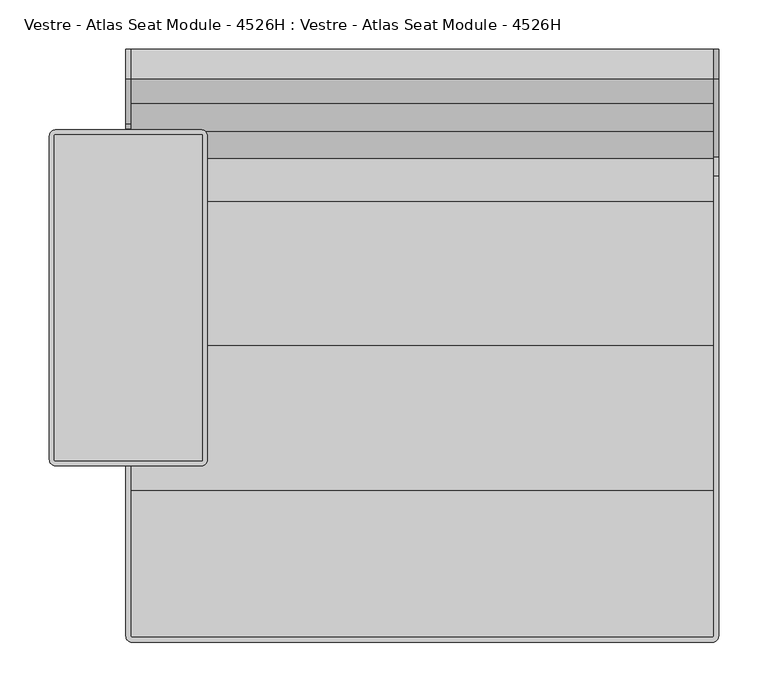
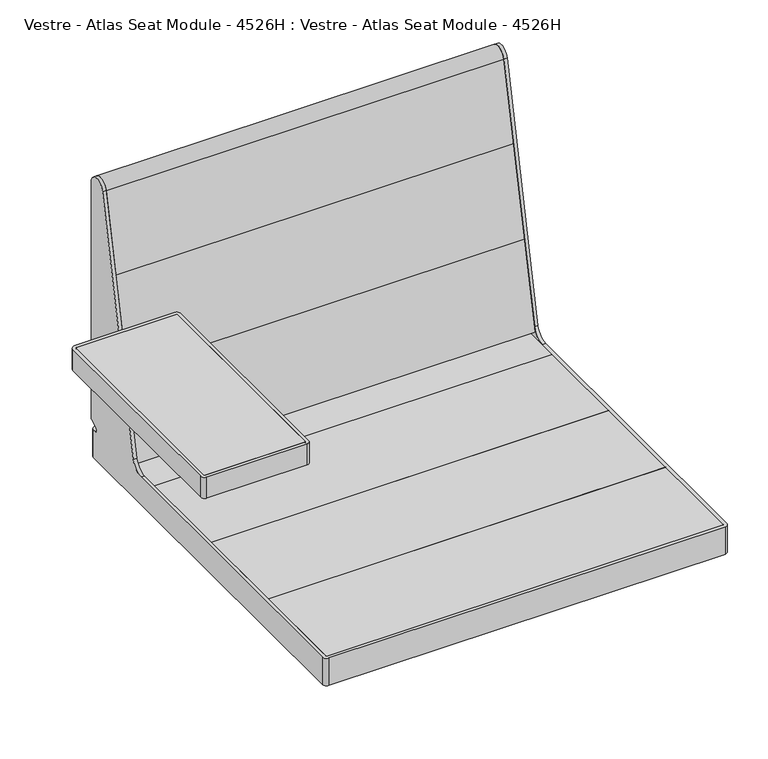
"""IFC4 building model written with IfcOpenShell, lengths in millimetres: furniture geometry, Vestre - Atlas Seat Module - 4526H : Vestre - Atlas Seat Module - 4526H."""

from ifc_helpers import new_model, si_unit, point, frame, frame_2d, origin, origin_with_axes, place, context, project, spatial, polyline, circle_curve, trimmed, segment, composite_curve, outline, extrude, source, transform, mapped, element, save
from ifc_brep_helpers import plane_surface, cylinder_surface, revolved_surface, advanced_brep


def vestre_atlas_seat_module_4526h_vestre_atlas_seat_module_35071f33(model_context):
    return source(origin(), model_context, "Body", "SolidModel", [
        advanced_brep(
        [(-295.0000168, 300.0000023, 83.4372244), (-295.0000168, 300.0000023, 452.8496404), (-295.0000168, 270.3277883, 455.9683158), (-295.0000168, 224.8071073, 241.8103493), (-295.0000168, 219.9163693, 237.8499078), (-295.0000168, 215.3613459, 237.8499078), (-295.0000168, 213.3966402, 236.2261697), (-295.0000168, 208.4547894, 234.620465), (-295.0000168, 205.4262365, 237.3474222), (-295.0000168, 204.1172295, 237.8499078), (-295.0000168, -34.1737135, 237.8499078), (-295.0000168, -35.039763, 237.3498938), (-295.0000168, -36.4058447, 238.7159523), (-295.0000168, -35.9057299, 239.5819968), (-295.0000168, -35.9057299, 240.8862809), (-295.0000168, -36.8693306, 241.8498816), (-295.0000168, -90.0348387, 241.8498816), (-295.0000168, -90.0348387, 237.8499078), (-295.0000168, 205.5011855, 175.0318013), (-295.0000168, 209.3523653, 169.1015048), (-295.0000168, 191.1979651, 83.6917671), (-295.0000168, 171.6350131, 67.850001), (-295.0000168, -294.035874, 67.850001), (-295.0000168, -294.035874, 24.8500093), (-295.0000168, 294.0091733, 24.8500093), (-295.0000168, 294.0091733, 67.850001), (-295.0000168, 289.8860908, 67.850001), (-295.0000168, 287.8917461, 75.2929964), (-295.0000168, 299.001022, 81.7069398), (-299.9997116, 300.0000023, 83.4372244), (-299.9997116, 299.001022, 81.7069398), (-299.9997116, 287.8917461, 75.2929964), (-299.9997116, 289.8860908, 67.850001), (-299.9997116, 294.0000778, 67.850001), (-299.9997116, 294.000075, 24.8500093), (-299.9997116, -294.0369399, 24.8500093), (-299.9997116, -294.0369399, 67.850001), (-299.9997116, 171.6350131, 67.850001), (-299.9997116, 191.1979651, 83.6917671), (-299.9997116, 209.3523653, 169.1015048), (-299.9997116, 205.5011855, 175.0318013), (-299.9997116, -90.0348387, 237.8499078), (-299.9997116, -90.0348387, 241.8498816), (-299.9997116, -36.8693306, 241.8498816), (-299.9997116, -35.9057299, 240.8862809), (-299.9997116, -35.9057299, 239.5819968), (-299.9997116, -36.4058447, 238.7159523), (-299.9997116, -35.0398179, 237.3499255), (-299.9997116, -34.1737135, 237.8499078), (-299.9997116, 204.1172295, 237.8499078), (-299.9997116, 205.4262365, 237.3474222), (-299.9997116, 208.4547894, 234.620465), (-299.9997116, 213.3966402, 236.2261697), (-299.9997116, 215.3613459, 237.8499078), (-299.9997116, 219.9163693, 237.8499078), (-299.9997116, 224.8071073, 241.8103493), (-299.9997116, 270.3277883, 455.9683158), (-299.9997116, 300.0000023, 452.8496404), (-294.009246, 294.9999441, 67.850001), (294.0105528, 294.9999441, 67.850001), (295.0000168, 294.0104801, 67.850001), (295.0000168, 289.8860908, 67.850001), (299.9997116, 289.8860908, 67.850001), (299.9997116, 294.000075, 67.850001), (293.9997116, 300.000075, 67.850001), (-293.9997116, 300.000075, 67.850001), (-294.0365765, -300.000075, 67.850001), (293.9997116, -300.000075, 67.850001), (299.9997116, -294.000075, 67.850001), (299.9997116, 171.6350131, 67.850001), (295.0000168, 171.6350131, 67.850001), (295.0000168, -294.0016577, 67.850001), (294.0015851, -295.0000895, 67.850001), (-294.0358013, -295.0000895, 67.850001), (-293.9997116, 300.000075, 24.8500093), (293.9997116, 300.000075, 24.8500093), (299.9997116, 294.000075, 24.8500093), (299.9997116, -294.000075, 24.8500093), (293.9997116, -300.000075, 24.8500093), (-294.0365765, -300.000075, 24.8500093), (-294.0358013, -295.0000895, 24.8500093), (294.0015851, -295.0000895, 24.8500093), (295.0000168, -294.0016577, 24.8500093), (295.0000168, 294.0104801, 24.8500093), (294.0105528, 294.9999441, 24.8500093), (-294.009246, 294.9999441, 24.8500093), (295.0000168, 191.1979651, 83.6917671), (295.0000168, 270.3277883, 455.9683158), (295.0000168, 300.0000023, 452.8496404), (295.0000168, 300.0000023, 83.4372244), (295.0000168, 299.001022, 81.7069398), (295.0000168, 287.8917461, 75.2929964), (299.9997116, 287.8917461, 75.2929964), (299.9997116, 299.001022, 81.7069398), (299.9997116, 300.0000023, 83.4372244), (299.9997116, 300.0000023, 452.8496404), (299.9997116, 270.3277883, 455.9683158), (299.9997116, 191.1979651, 83.6917671)],
        [
            (0, 1),
            (1, 2, circle_curve(frame((-295.0000168, 285.0000023, 452.8496404), z_axis=(1.0, 0.0, 0.0), x_axis=(0.0, -1.0, 0.0)), 15.0)),
            (2, 3),
            (3, 4, circle_curve(frame((-295.0000168, 219.9163693, 242.8499078), z_axis=(-1.0, 0.0, 0.0), x_axis=(0.0, -1.0, 0.0)), 5.0)),
            (4, 5),
            (5, 6, circle_curve(frame((-295.0000168, 215.3613459, 235.8494024), z_axis=(1.0, 0.0, 0.0), x_axis=(0.0, -1.0, 0.0)), 2.0005054)),
            (6, 7, circle_curve(frame((-295.0000168, 210.4385486, 236.9226609), z_axis=(-1.0, 0.0, 0.0), x_axis=(0.0, -1.0, 0.0)), 3.0389811)),
            (7, 8),
            (8, 9, circle_curve(frame((-295.0000168, 204.1172295, 235.8936417), z_axis=(1.0, 0.0, 0.0), x_axis=(0.0, -1.0, 0.0)), 1.9562661)),
            (9, 10),
            (10, 11, circle_curve(frame((-295.0000168, -34.1737135, 236.8498799), z_axis=(1.0, 0.0, 0.0), x_axis=(0.0, -1.0, 0.0)), 1.0000279)),
            (11, 12, circle_curve(frame((-295.0000168, -35.9096626, 237.8461076), z_axis=(-1.0, 0.0, 0.0), x_axis=(0.0, -1.0, 0.0)), 1.0014122)),
            (12, 13, circle_curve(frame((-295.0000168, -36.9056482, 239.5819968), z_axis=(1.0, 0.0, 0.0), x_axis=(0.0, -1.0, 0.0)), 0.9999183)),
            (13, 14),
            (14, 15, circle_curve(frame((-295.0000168, -36.8693306, 240.8862809), z_axis=(1.0, 0.0, 0.0), x_axis=(0.0, -1.0, 0.0)), 0.9636008)),
            (15, 16),
            (16, 17),
            (17, 18),
            (18, 19, circle_curve(frame((-295.0000168, 204.4616273, 170.1410632), z_axis=(-1.0, 0.0, 0.0), x_axis=(0.0, -1.0, 0.0)), 5.0)),
            (19, 20),
            (20, 21, circle_curve(frame((-295.0000168, 171.6350131, 87.850001), z_axis=(-1.0, 0.0, 0.0), x_axis=(0.0, -1.0, 0.0)), 20.0)),
            (21, 22),
            (22, 23),
            (23, 24),
            (24, 25),
            (25, 26),
            (26, 27, circle_curve(frame((-295.0000168, 289.8860908, 71.8386902), z_axis=(-1.0, 0.0, 0.0), x_axis=(0.0, -1.0, 0.0)), 3.9886892)),
            (27, 28),
            (28, 0, circle_curve(frame((-295.0000168, 298.0020417, 83.4372244), z_axis=(1.0, 0.0, 0.0), x_axis=(0.0, -1.0, 0.0)), 1.9979606)),
            (29, 30, circle_curve(frame((-299.9997116, 298.0020417, 83.4372244), z_axis=(-1.0, 0.0, 0.0), x_axis=(0.0, -1.0, 0.0)), 1.9979606)),
            (30, 31),
            (31, 32, circle_curve(frame((-299.9997116, 289.8860908, 71.8386902), z_axis=(1.0, 0.0, 0.0), x_axis=(0.0, -1.0, 0.0)), 3.9886892)),
            (32, 33),
            (33, 34),
            (34, 35),
            (35, 36),
            (36, 37),
            (37, 38, circle_curve(frame((-299.9997116, 171.6350131, 87.850001), z_axis=(1.0, 0.0, 0.0), x_axis=(0.0, -1.0, 0.0)), 20.0)),
            (38, 39),
            (39, 40, circle_curve(frame((-299.9997116, 204.4616273, 170.1410632), z_axis=(1.0, 0.0, 0.0), x_axis=(0.0, -1.0, 0.0)), 5.0)),
            (40, 41),
            (41, 42),
            (42, 43),
            (43, 44, circle_curve(frame((-299.9997116, -36.8693306, 240.8862809), z_axis=(-1.0, 0.0, 0.0), x_axis=(0.0, -1.0, 0.0)), 0.9636008)),
            (44, 45),
            (45, 46, circle_curve(frame((-299.9997116, -36.9056482, 239.5819968), z_axis=(-1.0, 0.0, 0.0), x_axis=(0.0, -1.0, 0.0)), 0.9999183)),
            (46, 47, circle_curve(frame((-299.9997116, -35.9096626, 237.8461076), z_axis=(1.0, 0.0, 0.0), x_axis=(0.0, -1.0, 0.0)), 1.0014122)),
            (47, 48, circle_curve(frame((-299.9997116, -34.1737135, 236.8498799), z_axis=(-1.0, 0.0, 0.0), x_axis=(0.0, -1.0, 0.0)), 1.0000279)),
            (48, 49),
            (49, 50, circle_curve(frame((-299.9997116, 204.1172295, 235.8936417), z_axis=(-1.0, 0.0, 0.0), x_axis=(0.0, -1.0, 0.0)), 1.9562661)),
            (50, 51),
            (51, 52, circle_curve(frame((-299.9997116, 210.4385486, 236.9226609), z_axis=(1.0, 0.0, 0.0), x_axis=(0.0, -1.0, 0.0)), 3.0389811)),
            (52, 53, circle_curve(frame((-299.9997116, 215.3613459, 235.8494024), z_axis=(-1.0, 0.0, 0.0), x_axis=(0.0, -1.0, 0.0)), 2.0005054)),
            (53, 54),
            (54, 55, circle_curve(frame((-299.9997116, 219.9163693, 242.8499078), z_axis=(1.0, 0.0, 0.0), x_axis=(0.0, -1.0, 0.0)), 5.0)),
            (55, 56),
            (56, 57, circle_curve(frame((-299.9997116, 285.0000023, 452.8496404), z_axis=(-1.0, 0.0, 0.0), x_axis=(0.0, -1.0, 0.0)), 15.0)),
            (57, 29),
            (0, 29),
            (57, 1),
            (56, 2),
            (55, 3),
            (20, 38),
            (37, 21),
            (25, 58, circle_curve(frame((-294.009246, 294.0091733, 67.850001), z_axis=(0.0, 0.0, -1.0), x_axis=(1.0, 0.0, 0.0)), 0.9907708)),
            (58, 59),
            (59, 60, circle_curve(frame((294.0105528, 294.0104801, 67.850001), z_axis=(0.0, 0.0, -1.0), x_axis=(1.0, 0.0, 0.0)), 0.989464)),
            (60, 61),
            (61, 62),
            (62, 63),
            (63, 64, circle_curve(frame((293.9997116, 294.000075, 67.850001), z_axis=(0.0, 0.0, 1.0), x_axis=(1.0, 0.0, 0.0)), 6.0)),
            (64, 65),
            (65, 33, circle_curve(frame((-293.9997116, 294.000075, 67.850001), z_axis=(0.0, 0.0, 1.0), x_axis=(1.0, 0.0, 0.0)), 6.0)),
            (32, 26),
            (36, 66, circle_curve(frame((-294.0365765, -294.0369399, 67.850001), z_axis=(0.0, 0.0, 1.0), x_axis=(1.0, 0.0, 0.0)), 5.9631351)),
            (66, 67),
            (67, 68, circle_curve(frame((293.9997116, -294.000075, 67.850001), z_axis=(0.0, 0.0, 1.0), x_axis=(1.0, 0.0, 0.0)), 6.0)),
            (68, 69),
            (69, 70),
            (70, 71),
            (71, 72, circle_curve(frame((294.0015851, -294.0016577, 67.850001), z_axis=(0.0, 0.0, -1.0), x_axis=(1.0, 0.0, 0.0)), 0.9984317)),
            (72, 73),
            (73, 22, circle_curve(frame((-294.0358013, -294.035874, 67.850001), z_axis=(0.0, 0.0, -1.0), x_axis=(1.0, 0.0, 0.0)), 0.9642155)),
            (31, 27),
            (30, 28),
            (54, 4),
            (53, 5),
            (52, 6),
            (51, 7),
            (50, 8),
            (49, 9),
            (48, 10),
            (47, 11),
            (46, 12),
            (45, 13),
            (44, 14),
            (43, 15),
            (42, 16),
            (41, 17),
            (40, 18),
            (39, 19),
            (34, 74, circle_curve(frame((-293.9997116, 294.000075, 24.8500093), z_axis=(0.0, 0.0, -1.0), x_axis=(1.0, 0.0, 0.0)), 6.0)),
            (74, 75),
            (75, 76, circle_curve(frame((293.9997116, 294.000075, 24.8500093), z_axis=(0.0, 0.0, -1.0), x_axis=(1.0, 0.0, 0.0)), 6.0)),
            (76, 77),
            (77, 78, circle_curve(frame((293.9997116, -294.000075, 24.8500093), z_axis=(0.0, 0.0, -1.0), x_axis=(1.0, 0.0, 0.0)), 6.0)),
            (78, 79),
            (79, 35, circle_curve(frame((-294.0365765, -294.0369399, 24.8500093), z_axis=(0.0, 0.0, -1.0), x_axis=(1.0, 0.0, 0.0)), 5.9631351)),
            (23, 80, circle_curve(frame((-294.0358013, -294.035874, 24.8500093), z_axis=(0.0, 0.0, 1.0), x_axis=(1.0, 0.0, 0.0)), 0.9642155)),
            (80, 81),
            (81, 82, circle_curve(frame((294.0015851, -294.0016577, 24.8500093), z_axis=(0.0, 0.0, 1.0), x_axis=(1.0, 0.0, 0.0)), 0.9984317)),
            (82, 83),
            (83, 84, circle_curve(frame((294.0105528, 294.0104801, 24.8500093), z_axis=(0.0, 0.0, 1.0), x_axis=(1.0, 0.0, 0.0)), 0.989464)),
            (84, 85),
            (85, 24, circle_curve(frame((-294.009246, 294.0091733, 24.8500093), z_axis=(0.0, 0.0, 1.0), x_axis=(1.0, 0.0, 0.0)), 0.9907708)),
            (85, 58),
            (84, 59),
            (83, 60),
            (82, 71),
            (70, 86, circle_curve(frame((295.0000168, 171.6350131, 87.850001), z_axis=(1.0, 0.0, 0.0), x_axis=(0.0, -1.0, 0.0)), 20.0)),
            (86, 87),
            (87, 88, circle_curve(frame((295.0000168, 285.0000023, 452.8496404), z_axis=(-1.0, 0.0, 0.0), x_axis=(0.0, -1.0, 0.0)), 15.0)),
            (88, 89),
            (89, 90, circle_curve(frame((295.0000168, 298.0020417, 83.4372244), z_axis=(-1.0, 0.0, 0.0), x_axis=(0.0, -1.0, 0.0)), 1.9979606)),
            (90, 91),
            (91, 61, circle_curve(frame((295.0000168, 289.8860908, 71.8386902), z_axis=(1.0, 0.0, 0.0), x_axis=(0.0, -1.0, 0.0)), 3.9886892)),
            (81, 72),
            (80, 73),
            (79, 66),
            (78, 67),
            (77, 68),
            (76, 63),
            (62, 92, circle_curve(frame((299.9997116, 289.8860908, 71.8386902), z_axis=(-1.0, 0.0, 0.0), x_axis=(0.0, -1.0, 0.0)), 3.9886892)),
            (92, 93),
            (93, 94, circle_curve(frame((299.9997116, 298.0020417, 83.4372244), z_axis=(1.0, 0.0, 0.0), x_axis=(0.0, -1.0, 0.0)), 1.9979606)),
            (94, 95),
            (95, 96, circle_curve(frame((299.9997116, 285.0000023, 452.8496404), z_axis=(1.0, 0.0, 0.0), x_axis=(0.0, -1.0, 0.0)), 15.0)),
            (96, 97),
            (97, 69, circle_curve(frame((299.9997116, 171.6350131, 87.850001), z_axis=(-1.0, 0.0, 0.0), x_axis=(0.0, -1.0, 0.0)), 20.0)),
            (75, 64),
            (74, 65),
            (88, 95),
            (94, 89),
            (87, 96),
            (86, 97),
            (91, 92),
            (90, 93),
        ],
        [
            plane_surface(frame((-295.0000168, 300.0000023, 452.8497931), z_axis=(1.0, 0.0, 0.0), x_axis=(0.0, 0.0, 1.0))),
            plane_surface(frame((-299.9997116, 300.0000023, 452.8497931), z_axis=(-1.0, 0.0, 0.0), x_axis=(0.0, 0.0, -1.0))),
            plane_surface(frame((-295.0000168, 300.0000023, 83.4372244), z_axis=(0.0, 1.0, 0.0), x_axis=(-1.0, 0.0, 0.0))),
            cylinder_surface(frame((-299.9997116, 285.0000023, 452.8496404), z_axis=(1.0, 0.0, 0.0), x_axis=(0.0, -1.0, 0.0)), 15.0),
            plane_surface(frame((-295.0000168, 270.3277883, 455.9683158), z_axis=(0.0, -0.9781476007338052, 0.20791169081776106), x_axis=(-1.0, 0.0, 0.0))),
            revolved_surface(polyline([(-299.9997116, 151.6350131, 87.850001), (-295.0000168, 151.6350131, 87.850001)]), (-299.9997116, 171.6350131, 87.850001), (-1.0, 0.0, 0.0)),
            plane_surface(frame((-295.0000168, 171.6350131, 67.850001), z_axis=(0.0, 0.0, 1.0), x_axis=(-1.0, 0.0, 0.0))),
            revolved_surface(polyline([(-299.9997116, 285.89740159999997, 71.8386902), (-295.0000168, 285.89740159999997, 71.8386902)]), (-299.9997116, 289.8860908, 71.8386902), (-1.0, 0.0, 0.0)),
            plane_surface(frame((-295.0000168, 287.8917461, 75.2929964), z_axis=(0.0, 0.49999999999999944, -0.866025403784439), x_axis=(-1.0, 0.0, 0.0))),
            cylinder_surface(frame((-299.9997116, 298.0020417, 83.4372244), z_axis=(1.0, 0.0, 0.0), x_axis=(0.0, -1.0, 0.0)), 1.9979606),
            revolved_surface(polyline([(-299.9997116, 214.9163693, 242.8499078), (-295.0000168, 214.9163693, 242.8499078)]), (-299.9997116, 219.9163693, 242.8499078), (-1.0, 0.0, 0.0)),
            plane_surface(frame((-295.0000168, 219.9163693, 237.8499078), z_axis=(0.0, 0.0, 1.0), x_axis=(-1.0, 0.0, 0.0))),
            cylinder_surface(frame((-299.9997116, 215.3613459, 235.8494024), z_axis=(1.0, 0.0, 0.0), x_axis=(0.0, -1.0, 0.0)), 2.0005054),
            revolved_surface(polyline([(-299.9997116, 207.3995675, 236.9226609), (-295.0000168, 207.3995675, 236.9226609)]), (-299.9997116, 210.4385486, 236.9226609), (-1.0, 0.0, 0.0)),
            plane_surface(frame((-295.0000168, 208.4547894, 234.620465), z_axis=(0.0, 0.6691354565947192, 0.7431404582767492), x_axis=(-1.0, 0.0, 0.0))),
            cylinder_surface(frame((-299.9997116, 204.1172295, 235.8936417), z_axis=(1.0, 0.0, 0.0), x_axis=(0.0, -1.0, 0.0)), 1.9562661),
            plane_surface(frame((-295.0000168, 204.1172295, 237.8499078), z_axis=(0.0, 0.0, 1.0), x_axis=(-1.0, 0.0, 0.0))),
            cylinder_surface(frame((-299.9997116, -34.1737135, 236.8498799), z_axis=(1.0, 0.0, 0.0), x_axis=(0.0, -1.0, 0.0)), 1.0000279),
            revolved_surface(polyline([(-299.9997116, -36.911074799999994, 237.8461076), (-295.0000168, -36.911074799999994, 237.8461076)]), (-299.9997116, -35.9096626, 237.8461076), (-1.0, 0.0, 0.0)),
            cylinder_surface(frame((-299.9997116, -36.9056482, 239.5819968), z_axis=(1.0, 0.0, 0.0), x_axis=(0.0, -1.0, 0.0)), 0.9999183),
            plane_surface(frame((-295.0000168, -35.9057299, 239.5819968), z_axis=(0.0, 1.0, 0.0), x_axis=(-1.0, 0.0, 0.0))),
            cylinder_surface(frame((-299.9997116, -36.8693306, 240.8862809), z_axis=(1.0, 0.0, 0.0), x_axis=(0.0, -1.0, 0.0)), 0.9636008),
            plane_surface(frame((-295.0000168, -36.8693306, 241.8498816), z_axis=(0.0, 0.0, 1.0), x_axis=(-1.0, 0.0, 0.0))),
            plane_surface(frame((-295.0000168, -90.0348387, 241.8498816), z_axis=(0.0, -1.0, 0.0), x_axis=(-1.0, 0.0, 0.0))),
            plane_surface(frame((-295.0000168, -90.0348387, 237.8499078), z_axis=(0.0, -0.2079116445070992, -0.9781476105774392), x_axis=(-1.0, 0.0, 0.0))),
            revolved_surface(polyline([(-299.9997116, 199.4616273, 170.1410632), (-295.0000168, 199.4616273, 170.1410632)]), (-299.9997116, 204.4616273, 170.1410632), (-1.0, 0.0, 0.0)),
            plane_surface(frame((-295.0000168, 209.3523653, 169.1015048), z_axis=(0.0, -0.9781476007338046, 0.20791169081776423), x_axis=(-1.0, 0.0, 0.0))),
            plane_surface(frame((-295.0000168, 294.0000051, 24.8500093), z_axis=(0.0, 0.0, -1.0), x_axis=(0.0, -1.0, 0.0))),
            revolved_surface(polyline([(-293.0184752, 294.0091733, 24.8500093), (-293.0184752, 294.0091733, 67.850001)]), (-294.009246, 294.0091733, 24.8500093), (0.0, 0.0, -1.0)),
            plane_surface(frame((-294.009246, 294.9999441, 67.850001), z_axis=(0.0, -1.0, 0.0), x_axis=(0.0, 0.0, -1.0))),
            revolved_surface(polyline([(295.0000168, 294.0104801, 24.8500093), (295.0000168, 294.0104801, 67.850001)]), (294.0105528, 294.0104801, 24.8500093), (0.0, 0.0, -1.0)),
            plane_surface(frame((295.0000168, 294.0104801, 67.850001), z_axis=(-1.0, 0.0, 0.0), x_axis=(0.0, 0.0, -1.0))),
            revolved_surface(polyline([(295.0000168, -294.0016577, 24.8500093), (295.0000168, -294.0016577, 67.850001)]), (294.0015851, -294.0016577, 24.8500093), (0.0, 0.0, -1.0)),
            plane_surface(frame((294.0015851, -295.0000895, 67.850001), z_axis=(0.0, 1.0, 0.0), x_axis=(0.0, 0.0, -1.0))),
            revolved_surface(polyline([(-293.0715858, -294.035874, 24.8500093), (-293.0715858, -294.035874, 67.850001)]), (-294.0358013, -294.035874, 24.8500093), (0.0, 0.0, -1.0)),
            cylinder_surface(frame((-294.0365765, -294.0369399, 24.8500093), z_axis=(0.0, 0.0, 1.0), x_axis=(1.0, 0.0, 0.0)), 5.9631351),
            plane_surface(frame((-294.0365765, -300.000075, 67.850001), z_axis=(0.0, -1.0, 0.0), x_axis=(0.0, 0.0, -1.0))),
            cylinder_surface(frame((293.9997116, -294.000075, 24.8500093), z_axis=(0.0, 0.0, 1.0), x_axis=(1.0, 0.0, 0.0)), 6.0),
            plane_surface(frame((299.9997116, -294.000075, 67.850001), z_axis=(1.0, 0.0, 0.0), x_axis=(0.0, 0.0, -1.0))),
            cylinder_surface(frame((293.9997116, 294.000075, 24.8500093), z_axis=(0.0, 0.0, 1.0), x_axis=(1.0, 0.0, 0.0)), 6.0),
            plane_surface(frame((293.9997116, 300.000075, 67.850001), z_axis=(0.0, 1.0, 0.0), x_axis=(0.0, 0.0, -1.0))),
            cylinder_surface(frame((-293.9997116, 294.000075, 24.8500093), z_axis=(0.0, 0.0, 1.0), x_axis=(1.0, 0.0, 0.0)), 6.0),
            plane_surface(frame((295.0000168, 300.0000023, 452.8496404), z_axis=(0.0, 1.0, 0.0), x_axis=(1.0, 0.0, 0.0))),
            cylinder_surface(frame((299.9997116, 285.0000023, 452.8496404), z_axis=(-1.0, 0.0, 0.0), x_axis=(0.0, -1.0, 0.0)), 15.0),
            plane_surface(frame((295.0000168, 191.1979651, 83.6917671), z_axis=(0.0, -0.9781476007338054, 0.20791169081776098), x_axis=(1.0, 0.0, 0.0))),
            revolved_surface(polyline([(299.9997116, 151.6350131, 87.850001), (295.0000168, 151.6350131, 87.850001)]), (299.9997116, 171.6350131, 87.850001), (1.0, 0.0, 0.0)),
            revolved_surface(polyline([(299.9997116, 285.89740159999997, 71.8386902), (295.0000168, 285.89740159999997, 71.8386902)]), (299.9997116, 289.8860908, 71.8386902), (1.0, 0.0, 0.0)),
            plane_surface(frame((295.0000168, 299.001022, 81.7069398), z_axis=(0.0, 0.49999999999999944, -0.866025403784439), x_axis=(1.0, 0.0, 0.0))),
            cylinder_surface(frame((299.9997116, 298.0020417, 83.4372244), z_axis=(-1.0, 0.0, 0.0), x_axis=(0.0, -1.0, 0.0)), 1.9979606),
        ],
        [
            (0, [[1, 2, 3, 4, 5, 6, 7, 8, 9, 10, 11, 12, 13, 14, 15, 16, 17, 18, 19, 20, 21, 22, 23, 24, 25, 26, 27, 28, 29]]),
            (1, [[30, 31, 32, 33, 34, 35, 36, 37, 38, 39, 40, 41, 42, 43, 44, 45, 46, 47, 48, 49, 50, 51, 52, 53, 54, 55, 56, 57, 58]]),
            (2, [[-1, 59, -58, 60]]),
            (3, [[-2, -60, -57, 61]]),
            (4, [[-3, -61, -56, 62]]),
            (5, [[-21, 63, -38, 64]]),
            (6, [[-26, 65, 66, 67, 68, 69, 70, 71, 72, 73, -33, 74]]),
            (6, [[-64, -37, 75, 76, 77, 78, 79, 80, 81, 82, 83, -22]]),
            (7, [[-27, -74, -32, 84]]),
            (8, [[-28, -84, -31, 85]]),
            (9, [[-29, -85, -30, -59]]),
            (10, [[-4, -62, -55, 86]]),
            (11, [[-5, -86, -54, 87]]),
            (12, [[-6, -87, -53, 88]]),
            (13, [[-7, -88, -52, 89]]),
            (14, [[-8, -89, -51, 90]]),
            (15, [[-9, -90, -50, 91]]),
            (16, [[-10, -91, -49, 92]]),
            (17, [[-11, -92, -48, 93]]),
            (18, [[-12, -93, -47, 94]]),
            (19, [[-13, -94, -46, 95]]),
            (20, [[-14, -95, -45, 96]]),
            (21, [[-15, -96, -44, 97]]),
            (22, [[-16, -97, -43, 98]]),
            (23, [[-17, -98, -42, 99]]),
            (24, [[-18, -99, -41, 100]]),
            (25, [[-19, -100, -40, 101]]),
            (26, [[-20, -101, -39, -63]]),
            (27, [[-35, 102, 103, 104, 105, 106, 107, 108], [109, 110, 111, 112, 113, 114, 115, -24]]),
            (28, [[-65, -25, -115, 116]]),
            (29, [[-66, -116, -114, 117]]),
            (30, [[118, -67, -117, -113]]),
            (31, [[-112, 119, -80, 120, 121, 122, 123, 124, 125, 126, -68, -118]]),
            (32, [[-81, -119, -111, 127]]),
            (33, [[-82, -127, -110, 128]]),
            (34, [[-83, -128, -109, -23]]),
            (35, [[-75, -36, -108, 129]]),
            (36, [[-76, -129, -107, 130]]),
            (37, [[-77, -130, -106, 131]]),
            (38, [[-105, 132, -70, 133, 134, 135, 136, 137, 138, 139, -78, -131]]),
            (39, [[-71, -132, -104, 140]]),
            (40, [[-72, -140, -103, 141]]),
            (41, [[-73, -141, -102, -34]]),
            (42, [[-123, 142, -136, 143]]),
            (43, [[-122, 144, -137, -142]]),
            (44, [[-121, 145, -138, -144]]),
            (45, [[-120, -79, -139, -145]]),
            (46, [[-126, 146, -133, -69]]),
            (47, [[-125, 147, -134, -146]]),
            (48, [[-124, -143, -135, -147]]),
        ],
    ),
        extrude(outline(composite_curve([segment(polyline([(245.3272667, 338.3501092), (270.3277883, 455.9683158)]), True, "CONTINUOUS"), segment(trimmed(circle_curve(frame_2d((285.0000023, 452.8496404)), 15.0), [point((270.3277883, 455.9683158))], [point((300.0000023, 452.8496404))], False, "CARTESIAN"), True, "CONTINUOUS"), segment(polyline([(300.0000023, 452.8496404), (300.0000023, 338.3501092), (245.3272667, 338.3501092)]), True, "CONTINUOUS")], self_intersect=False)), frame((-295.0000168, 0.0, 0.0), z_axis=(1.0, 0.0, 0.0), x_axis=(0.0, 1.0, 0.0)), (0.0, 0.0, 1.0), 590.0000336),
        extrude(outline(polyline([(217.1635184, 205.8500911), (245.3272667, 338.3501092), (300.0000023, 338.3501092), (300.0000023, 205.8500911), (217.1635184, 205.8500911)])), frame((-295.0000168, 0.0, 0.0), z_axis=(1.0, 0.0, 0.0), x_axis=(0.0, 1.0, 0.0)), (0.0, 0.0, 1.0), 590.0000336),
        extrude(outline(polyline([(295.0000168, -146.0000273), (-295.0000168, -146.0000273), (-295.0000168, 0.0), (295.0000168, 0.0), (295.0000168, -146.0000273)])), frame((0.0, 0.0, 39.8500022), z_axis=(0.0, 0.0, 1.0), x_axis=(1.0, 0.0, 0.0)), (0.0, 0.0, 1.0), 27.9999988),
        extrude(outline(polyline([(295.0000168, 146.0000273), (295.0000168, 0.0), (-295.0000168, 0.0), (-295.0000168, 146.0000273), (295.0000168, 146.0000273)])), frame((0.0, 0.0, 39.8500022), z_axis=(0.0, 0.0, 1.0), x_axis=(1.0, 0.0, 0.0)), (0.0, 0.0, 1.0), 27.9999988),
        extrude(outline(composite_curve([segment(polyline([(-294.009246, 294.9999441), (294.0105528, 294.9999441)]), True, "CONTINUOUS"), segment(trimmed(circle_curve(frame_2d((294.0105528, 294.0104801)), 0.989464), [point((294.0105528, 294.9999441))], [point((295.0000168, 294.0104801))], False, "CARTESIAN"), True, "CONTINUOUS"), segment(polyline([(295.0000168, 294.0104801), (295.0000168, 146.0000273), (-295.0000168, 146.0000273), (-295.0000168, 294.0091733)]), True, "CONTINUOUS"), segment(trimmed(circle_curve(frame_2d((-294.009246, 294.0091733)), 0.9907708), [point((-295.0000168, 294.0091733))], [point((-294.009246, 294.9999441))], False, "CARTESIAN"), True, "CONTINUOUS")], self_intersect=False)), frame((0.0, 0.0, 39.8500022), z_axis=(0.0, 0.0, 1.0), x_axis=(1.0, 0.0, 0.0)), (0.0, 0.0, 1.0), 27.9999988),
        extrude(outline(composite_curve([segment(trimmed(circle_curve(frame_2d((-294.0358013, -294.035874)), 0.9642155), [point((-294.0358013, -295.0000895))], [point((-295.0000168, -294.035874))], False, "CARTESIAN"), True, "CONTINUOUS"), segment(polyline([(-295.0000168, -294.035874), (-295.0000168, -146.0000273), (295.0000168, -146.0000273), (295.0000168, -294.0016577)]), True, "CONTINUOUS"), segment(trimmed(circle_curve(frame_2d((294.0015851, -294.0016577)), 0.9984317), [point((295.0000168, -294.0016577))], [point((294.0015851, -295.0000895))], False, "CARTESIAN"), True, "CONTINUOUS"), segment(polyline([(294.0015851, -295.0000895), (-294.0358013, -295.0000895)]), True, "CONTINUOUS")], self_intersect=False)), frame((0.0, 0.0, 39.8500022), z_axis=(0.0, 0.0, 1.0), x_axis=(1.0, 0.0, 0.0)), (0.0, 0.0, 1.0), 27.9999988),
        extrude(outline(polyline([(34.9996078, 34.9999712), (34.9996078, -34.9999712), (-34.9996078, -34.9999712), (-34.9996078, 34.9999712), (34.9996078, 34.9999712)])), origin_with_axes(), (0.0, 0.0, 1.0), 39.8500022),
        extrude(outline(polyline([(217.1636487, 205.8500911), (299.9998569, 205.8500911), (299.9998569, 76.3499908), (189.6375526, 76.3499908), (217.1636487, 205.8500911)])), frame((-295.0000168, 0.0, 0.0), z_axis=(1.0, 0.0, 0.0), x_axis=(0.0, 1.0, 0.0)), (0.0, 0.0, 1.0), 590.0000336),
        extrude(outline(composite_curve([segment(trimmed(circle_curve(frame_2d((-371.5408204, 212.6402724)), 0.9594077), [point((-372.5002281, 212.6402724))], [point((-371.5408204, 213.5996801))], False, "CARTESIAN"), True, "CONTINUOUS"), segment(polyline([(-371.5408204, 213.5996801), (-223.5419292, 213.5996801)]), True, "CONTINUOUS"), segment(trimmed(circle_curve(frame_2d((-223.5419292, 212.5578326)), 1.0418475), [point((-223.5419292, 213.5996801))], [point((-222.5000816, 212.5578326))], False, "CARTESIAN"), True, "CONTINUOUS"), segment(polyline([(-222.5000816, 212.5578326), (-222.5000816, -115.4291569)]), True, "CONTINUOUS"), segment(trimmed(circle_curve(frame_2d((-223.4711599, -115.4291569)), 0.9710783), [point((-222.5000816, -115.4291569))], [point((-223.4711599, -116.4002352))], False, "CARTESIAN"), True, "CONTINUOUS"), segment(polyline([(-223.4711599, -116.4002352), (-371.469235, -116.4002352)]), True, "CONTINUOUS"), segment(trimmed(circle_curve(frame_2d((-371.469235, -115.3692421)), 1.0309931), [point((-371.469235, -116.4002352))], [point((-372.5002281, -115.3692421))], False, "CARTESIAN"), True, "CONTINUOUS"), segment(polyline([(-372.5002281, -115.3692421), (-372.5002281, 212.6402724)]), True, "CONTINUOUS")], self_intersect=False)), frame((0.0, 0.0, 242.849966), z_axis=(0.0, 0.0, 1.0), x_axis=(1.0, 0.0, 0.0)), (0.0, 0.0, 1.0), 27.9996717),
        extrude(outline(composite_curve([segment(polyline([(-223.5003868, -121.4002207), (-371.4781127, -121.4002207)]), True, "CONTINUOUS"), segment(trimmed(circle_curve(frame_2d((-371.4781127, -115.3784105)), 6.0218102), [point((-371.4781127, -121.4002207))], [point((-377.4999229, -115.3784105))], False, "CARTESIAN"), True, "CONTINUOUS"), segment(polyline([(-377.4999229, -115.3784105), (-377.4999229, 212.485918)]), True, "CONTINUOUS"), segment(trimmed(circle_curve(frame_2d((-371.4954709, 212.485918)), 6.004452), [point((-377.4999229, 212.485918))], [point((-371.4954709, 218.49037))], False, "CARTESIAN"), True, "CONTINUOUS"), segment(polyline([(-371.4954709, 218.49037), (-223.47517, 218.49037)]), True, "CONTINUOUS"), segment(trimmed(circle_curve(frame_2d((-223.47517, 212.5155868)), 5.9747832), [point((-223.47517, 218.49037))], [point((-217.5003868, 212.5155868))], False, "CARTESIAN"), True, "CONTINUOUS"), segment(polyline([(-217.5003868, 212.5155868), (-217.5003868, -115.4002207)]), True, "CONTINUOUS"), segment(trimmed(circle_curve(frame_2d((-223.5003868, -115.4002207)), 6.0), [point((-217.5003868, -115.4002207))], [point((-223.5003868, -121.4002207))], False, "CARTESIAN"), True, "CONTINUOUS")], self_intersect=False), holes=[composite_curve([segment(polyline([(-372.5002281, 212.6402724), (-372.5002281, -115.3692421)]), True, "CONTINUOUS"), segment(trimmed(circle_curve(frame_2d((-371.469235, -115.3692421)), 1.0309931), [point((-372.5002281, -115.3692421))], [point((-371.469235, -116.4002352))], True, "CARTESIAN"), True, "CONTINUOUS"), segment(polyline([(-371.469235, -116.4002352), (-223.4711599, -116.4002352)]), True, "CONTINUOUS"), segment(trimmed(circle_curve(frame_2d((-223.4711599, -115.4291569)), 0.9710783), [point((-223.4711599, -116.4002352))], [point((-222.5000816, -115.4291569))], True, "CARTESIAN"), True, "CONTINUOUS"), segment(polyline([(-222.5000816, -115.4291569), (-222.5000816, 212.5578326)]), True, "CONTINUOUS"), segment(trimmed(circle_curve(frame_2d((-223.5419292, 212.5578326)), 1.0418475), [point((-222.5000816, 212.5578326))], [point((-223.5419292, 213.5996801))], True, "CARTESIAN"), True, "CONTINUOUS"), segment(polyline([(-223.5419292, 213.5996801), (-371.5408204, 213.5996801)]), True, "CONTINUOUS"), segment(trimmed(circle_curve(frame_2d((-371.5408204, 212.6402724)), 0.9594077), [point((-371.5408204, 213.5996801))], [point((-372.5002281, 212.6402724))], True, "CARTESIAN"), True, "CONTINUOUS")], self_intersect=False)]), frame((0.0, 0.0, 237.8499078), z_axis=(0.0, 0.0, 1.0), x_axis=(1.0, 0.0, 0.0)), (0.0, 0.0, 1.0), 32.9997299),
    ])


if __name__ == "__main__":
    model = new_model("IFC4")
    model_context = context("Model", 3, world=origin())
    ifc_project = project(units=[si_unit("LENGTHUNIT", "METRE", prefix="MILLI")], contexts=[model_context])
    site = spatial("IfcSite", under=ifc_project)
    building = spatial("IfcBuilding", under=site)
    placement = place(None, origin())
    vestre_atlas_seat_module_4526h_vestre_atlas_seat_module_shape = vestre_atlas_seat_module_4526h_vestre_atlas_seat_module_35071f33(model_context)
    element("IfcFurniture", 1, ObjectType="Vestre - Atlas Seat Module - 4526H : Vestre - Atlas Seat Module - 4526H", at=placement, inside=building, context=model_context, shape_type="MappedRepresentation", body=[
        mapped(vestre_atlas_seat_module_4526h_vestre_atlas_seat_module_shape, transform((0.0, 0.0, 0.0), x_axis=(1.0, 0.0, 0.0), y_axis=(0.0, 1.0, 0.0), z_axis=(0.0, 0.0, 1.0))),
    ])
    save(model, "model.ifc")
